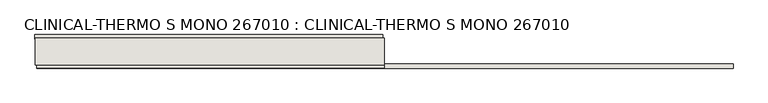
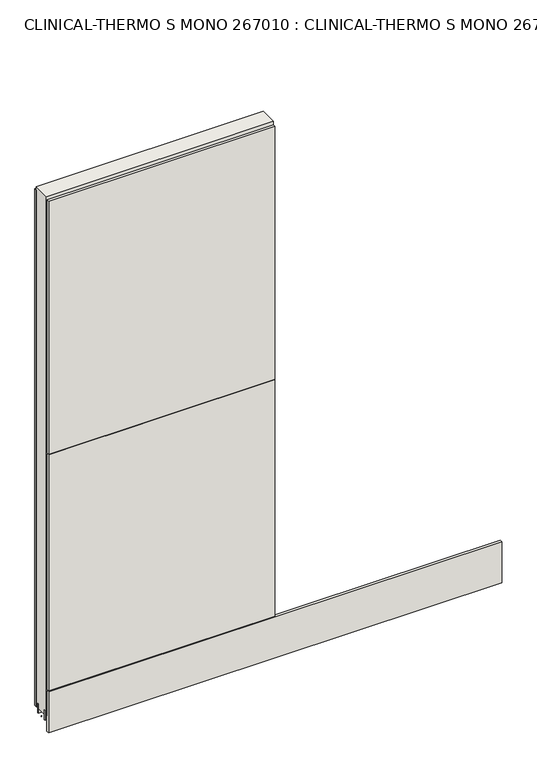
"""IFC4 building model written with IfcOpenShell, lengths in millimetres: wall geometry, CLINICAL-THERMO S MONO 267010 : CLINICAL-THERMO S MONO 267010."""

from ifc_helpers import new_model, si_unit, frame, origin, place, context, project, spatial, polyline, outline, extrude, source, transform, mapped, element, save


def clinical_thermo_s_mono_267010_clinical_thermo_s_mono_267010_a64756ef(model_context):
    return source(origin(), model_context, "Body", "SweptSolid", [
        extrude(outline(polyline([(85938.0338132, -47157.7745692), (85935.4938132, -47157.7745692), (85935.4938132, -47155.2345692), (85938.0338132, -47155.2345692), (85938.0338132, -47157.7745692)])), frame((0.0, 0.0, 4419.6), z_axis=(0.0, 0.0, 1.0), x_axis=(1.0, 0.0, 0.0)), (0.0, 0.0, 1.0), 2.54),
        extrude(outline(polyline([(85935.0271898, -47105.7045692), (86989.8099418, -47105.7045692), (86989.8099418, -47118.4045692), (85935.0271898, -47118.4045692), (85935.0271898, -47105.7045692)])), frame((0.0, 0.0, 4445.0), z_axis=(0.0, 0.0, 1.0), x_axis=(1.0, 0.0, 0.0)), (0.0, 0.0, 1.0), 2545.0498756),
        extrude(outline(polyline([(86994.7398532, -47207.3045692), (85939.9571012, -47207.3045692), (85939.9571012, -47194.6045692), (86994.7398532, -47194.6045692), (86994.7398532, -47207.3045692)])), frame((0.0, 0.0, 4573.9999706), z_axis=(0.0, 0.0, 1.0), x_axis=(1.0, 0.0, 0.0)), (0.0, 0.0, 1.0), 1164.400008),
        extrude(outline(polyline([(86994.7398532, -47207.3045692), (85939.9571012, -47207.3045692), (85939.9571012, -47194.6045692), (86994.7398532, -47194.6045692), (86994.7398532, -47207.3045692)])), frame((0.0, 0.0, 5742.4000722), z_axis=(0.0, 0.0, 1.0), x_axis=(1.0, 0.0, 0.0)), (0.0, 0.0, 1.0), 1247.649905),
        extrude(outline(polyline([(88053.5190666, -47207.3045692), (85939.9535706, -47207.3045692), (85939.9535706, -47194.6045692), (88053.5190666, -47194.6045692), (88053.5190666, -47207.3045692)])), frame((0.0, 0.0, 4368.1000014), z_axis=(0.0, 0.0, 1.0), x_axis=(1.0, 0.0, 0.0)), (0.0, 0.0, 1.0), 201.9000026),
        extrude(outline(polyline([(86994.2620538, -47131.4270222), (85935.4925686, -47131.4270222), (85935.4925686, -47126.3482668), (86994.2620538, -47126.3482668), (86994.2620538, -47131.4270222)])), frame((0.0, 0.0, 4418.6602), z_axis=(0.0, 0.0, 1.0), x_axis=(1.0, 0.0, 0.0)), (0.0, 0.0, 1.0), 47.625),
        extrude(outline(polyline([(86994.2620538, -47131.4270222), (85935.4925686, -47131.4270222), (85935.4925686, -47126.3482668), (86994.2620538, -47126.3482668), (86994.2620538, -47131.4270222)])), frame((0.0, 0.0, 4418.6602), z_axis=(0.0, 0.0, 1.0), x_axis=(1.0, 0.0, 0.0)), (0.0, 0.0, 1.0), 47.625),
        extrude(outline(polyline([(85935.4925686, -47181.5914126), (86994.2620538, -47181.5914126), (86994.2620538, -47186.6732668), (85935.4925686, -47186.6732668), (85935.4925686, -47181.5914126)])), frame((0.0, 0.0, 4418.6602), z_axis=(0.0, 0.0, 1.0), x_axis=(1.0, 0.0, 0.0)), (0.0, 0.0, 1.0), 47.625),
        extrude(outline(polyline([(85935.4925686, -47181.5914126), (86994.2620538, -47181.5914126), (86994.2620538, -47186.6732668), (85935.4925686, -47186.6732668), (85935.4925686, -47181.5914126)])), frame((0.0, 0.0, 4418.6602), z_axis=(0.0, 0.0, 1.0), x_axis=(1.0, 0.0, 0.0)), (0.0, 0.0, 1.0), 47.625),
        extrude(outline(polyline([(86994.2868696, -47115.8558824), (86994.2868696, -47197.1377366), (85935.4925686, -47197.1377366), (85935.4925686, -47115.8558824), (86994.2868696, -47115.8558824)])), frame((0.0, 0.0, 4445.0), z_axis=(0.0, 0.0, 1.0), x_axis=(1.0, 0.0, 0.0)), (0.0, 0.0, 1.0), 2562.4536762),
    ])


if __name__ == "__main__":
    model = new_model("IFC4")
    model_context = context("Model", 3, world=origin())
    ifc_project = project(units=[si_unit("LENGTHUNIT", "METRE", prefix="MILLI")], contexts=[model_context])
    site = spatial("IfcSite", under=ifc_project)
    building = spatial("IfcBuilding", under=site)
    placement = place(None, origin())
    clinical_thermo_s_mono_267010_clinical_thermo_s_mono_267010_shape = clinical_thermo_s_mono_267010_clinical_thermo_s_mono_267010_a64756ef(model_context)
    element("IfcWall", 1, ObjectType="CLINICAL-THERMO S MONO 267010 : CLINICAL-THERMO S MONO 267010", at=placement, inside=building, context=model_context, shape_type="MappedRepresentation", body=[
        mapped(clinical_thermo_s_mono_267010_clinical_thermo_s_mono_267010_shape, transform((0.0, 0.0, 0.0), x_axis=(1.0, 0.0, 0.0), y_axis=(0.0, 1.0, 0.0), z_axis=(0.0, 0.0, 1.0))),
    ])
    save(model, "model.ifc")
